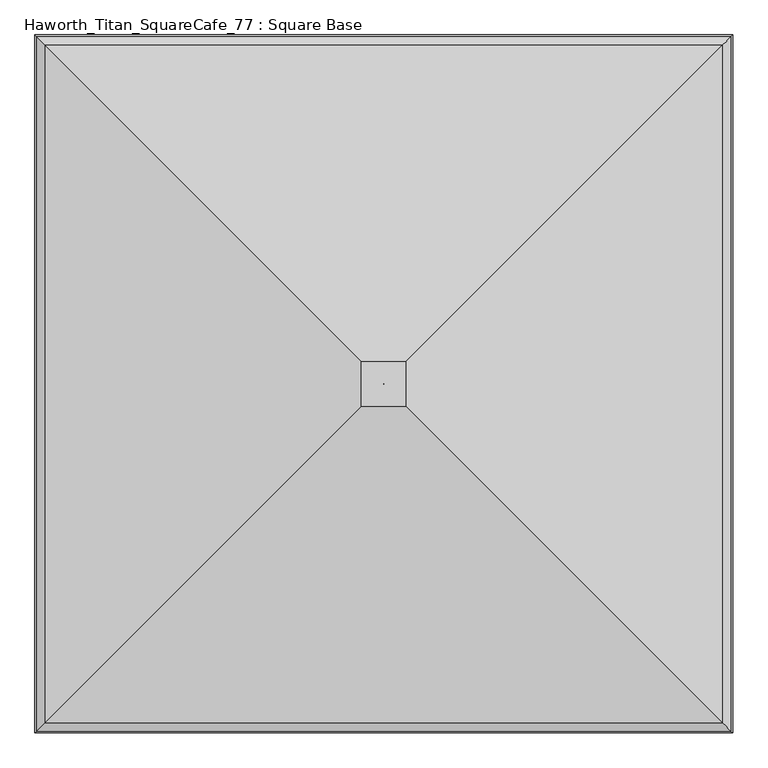
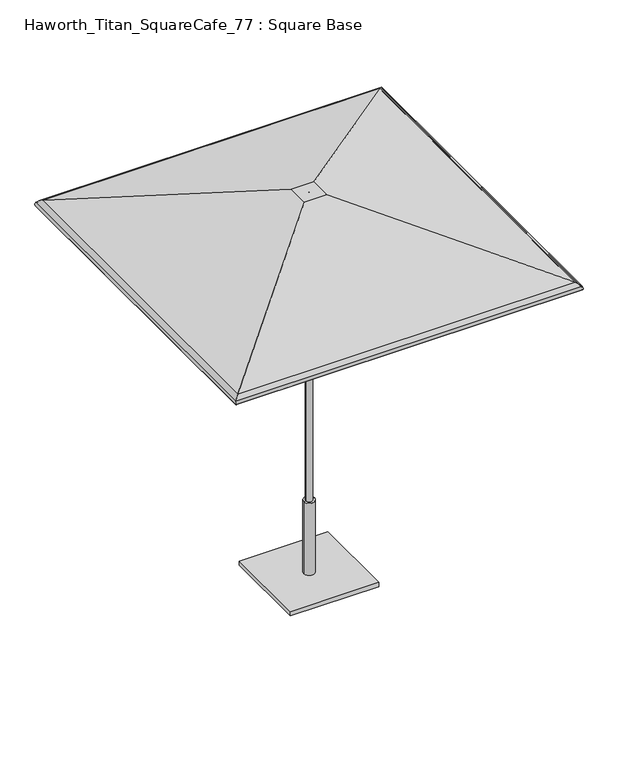
"""IFC4 building model written with IfcOpenShell, lengths in millimetres: furniture geometry, Haworth_Titan_SquareCafe_77 : Square Base."""

from ifc_helpers import new_model, si_unit, frame, origin, origin_with_axes, place, context, project, spatial, polyline, circle_curve, ellipse_curve, outline, extrude, source, transform, mapped, element, save
from ifc_brep_helpers import plane_surface, cylinder_surface, revolved_surface, advanced_brep


def haworth_titan_squarecafe_77_square_base_8a413ab3(model_context):
    return source(origin(), model_context, "Body", "SolidModel", [
        advanced_brep(
        [(-0.1191233, -3.7889421, 2332.2359375), (-0.1191233, -3.7889421, 2336.8), (0.1191233, -3.7889421, 2336.8), (0.1191233, -3.7889421, 2332.2359375), (-972.8203346, -976.4901535, 2032.8952419), (-63.8799222, -67.5497411, 2332.2359375), (63.8799222, -67.5497411, 2332.2359375), (972.8203346, -976.4901535, 2032.8952419), (-993.3252275, -996.9950464, 2015.7031479), (993.3252275, -996.9950464, 2015.7031479), (-995.3819432, -999.051762, 1999.8260507), (995.3819432, -999.051762, 1999.8260507), (-999.7734953, -1003.4433141, 1998.5830959), (999.7734953, -1003.4433141, 1998.5830959), (-997.255117, -1000.9249359, 2018.0240604), (997.255117, -1000.9249359, 2018.0240604), (-972.7319046, -976.4017234, 2037.7634079), (972.7319046, -976.4017234, 2037.7634079), (-64.7106433, -68.3804622, 2336.8), (64.7106433, -68.3804622, 2336.8), (0.1191233, -2.7851577, 2336.8), (0.1191233, -2.7851577, 2332.2359375), (63.8799222, 60.9756412, 2332.2359375), (972.8203346, 969.9160536, 2032.8952419), (993.3252275, 990.4209465, 2015.7031479), (995.3819432, 992.4776622, 1999.8260507), (999.7734953, 996.8692143, 1998.5830959), (997.255117, 994.350836, 2018.0240604), (972.7319046, 969.8276236, 2037.7634079), (64.7106433, 61.8063623, 2336.8), (-0.1191233, -2.7851577, 2336.8), (-0.1191233, -2.7851577, 2332.2359375), (-63.8799222, 60.9756412, 2332.2359375), (-972.8203346, 969.9160536, 2032.8952419), (-993.3252275, 990.4209465, 2015.7031479), (-995.3819432, 992.4776622, 1999.8260507), (-999.7734953, 996.8692143, 1998.5830959), (-997.255117, 994.350836, 2018.0240604), (-972.7319046, 969.8276236, 2037.7634079), (-64.7106433, 61.8063623, 2336.8)],
        [
            (0, 1),
            (1, 2),
            (2, 3),
            (3, 0),
            (4, 5),
            (5, 6),
            (6, 7),
            (7, 4),
            (8, 4, ellipse_curve(frame((-958.7402749, -962.4100938, 1995.2779812), z_axis=(-0.7071067811865475, 0.7071067811865475, 0.0), x_axis=(0.7071067811865476, 0.7071067811865474, 0.0)), 56.8032813, 40.1659854)),
            (7, 9, ellipse_curve(frame((958.7402749, -962.4100938, 1995.2779812), z_axis=(0.7071067811865475, 0.7071067811865475, 0.0), x_axis=(0.7071067811865476, -0.7071067811865474, 0.0)), 56.8032813, 40.1659854)),
            (9, 8),
            (10, 8, ellipse_curve(frame((-975.8174942, -979.4873131, 2005.3634382), z_axis=(-0.7071067811865475, 0.7071067811865475, 0.0), x_axis=(0.7071067811865476, 0.7071067811865474, 0.0)), 28.7551847, 20.3329861)),
            (9, 11, ellipse_curve(frame((975.8174942, -979.4873131, 2005.3634382), z_axis=(0.7071067811865475, 0.7071067811865475, 0.0), x_axis=(0.7071067811865476, -0.7071067811865474, 0.0)), 28.7551847, 20.3329861)),
            (11, 10),
            (12, 10, ellipse_curve(frame((-997.5777192, -1001.2475381, 1999.2045733), z_axis=(0.7071067811865475, -0.7071067811865475, 0.0), x_axis=(-0.7071067811865476, -0.7071067811865474, 0.0)), 3.2272795, 2.2820312)),
            (11, 13, ellipse_curve(frame((997.5777192, -1001.2475381, 1999.2045733), z_axis=(-0.7071067811865475, -0.7071067811865475, 0.0), x_axis=(-0.7071067811865476, 0.7071067811865474, 0.0)), 3.2272795, 2.2820312)),
            (13, 12),
            (14, 12, ellipse_curve(frame((-975.8174942, -979.4873131, 2005.3634382), z_axis=(0.7071067811865475, -0.7071067811865475, 0.0), x_axis=(-0.7071067811865476, -0.7071067811865474, 0.0)), 35.2097438, 24.8970486)),
            (13, 15, ellipse_curve(frame((975.8174942, -979.4873131, 2005.3634382), z_axis=(-0.7071067811865475, -0.7071067811865475, 0.0), x_axis=(-0.7071067811865476, 0.7071067811865474, 0.0)), 35.2097438, 24.8970486)),
            (15, 14),
            (16, 14, ellipse_curve(frame((-958.7402749, -962.4100938, 1995.2779812), z_axis=(0.7071067811865475, -0.7071067811865475, 0.0), x_axis=(-0.7071067811865476, -0.7071067811865474, 0.0)), 63.2578403, 44.7300479)),
            (15, 17, ellipse_curve(frame((958.7402749, -962.4100938, 1995.2779812), z_axis=(-0.7071067811865475, -0.7071067811865475, 0.0), x_axis=(-0.7071067811865476, 0.7071067811865474, 0.0)), 63.2578403, 44.7300479)),
            (17, 16),
            (18, 16),
            (17, 19),
            (19, 18),
            (2, 20),
            (20, 21),
            (21, 3),
            (6, 22),
            (22, 23),
            (23, 7),
            (23, 24, ellipse_curve(frame((958.7402749, 955.8359939, 1995.2779812), z_axis=(-0.7071067811865475, 0.7071067811865475, 0.0), x_axis=(0.7071067811865474, 0.7071067811865476, 0.0)), 56.8032813, 40.1659854)),
            (24, 9),
            (24, 25, ellipse_curve(frame((975.8174942, 972.9132132, 2005.3634382), z_axis=(-0.7071067811865475, 0.7071067811865475, 0.0), x_axis=(0.7071067811865474, 0.7071067811865476, 0.0)), 28.7551847, 20.3329861)),
            (25, 11),
            (25, 26, ellipse_curve(frame((997.5777192, 994.6734382, 1999.2045733), z_axis=(0.7071067811865475, -0.7071067811865475, 0.0), x_axis=(-0.7071067811865474, -0.7071067811865476, 0.0)), 3.2272795, 2.2820312)),
            (26, 13),
            (26, 27, ellipse_curve(frame((975.8174942, 972.9132132, 2005.3634382), z_axis=(0.7071067811865475, -0.7071067811865475, 0.0), x_axis=(-0.7071067811865474, -0.7071067811865476, 0.0)), 35.2097438, 24.8970486)),
            (27, 15),
            (27, 28, ellipse_curve(frame((958.7402749, 955.8359939, 1995.2779812), z_axis=(0.7071067811865475, -0.7071067811865475, 0.0), x_axis=(-0.7071067811865474, -0.7071067811865476, 0.0)), 63.2578403, 44.7300479)),
            (28, 17),
            (28, 29),
            (29, 19),
            (20, 30),
            (30, 31),
            (31, 21),
            (22, 32),
            (32, 33),
            (33, 23),
            (33, 34, ellipse_curve(frame((-958.7402749, 955.8359939, 1995.2779812), z_axis=(-0.7071067811865475, -0.7071067811865475, 0.0), x_axis=(-0.7071067811865476, 0.7071067811865474, 0.0)), 56.8032813, 40.1659854)),
            (34, 24),
            (34, 35, ellipse_curve(frame((-975.8174942, 972.9132132, 2005.3634382), z_axis=(-0.7071067811865475, -0.7071067811865475, 0.0), x_axis=(-0.7071067811865476, 0.7071067811865474, 0.0)), 28.7551847, 20.3329861)),
            (35, 25),
            (35, 36, ellipse_curve(frame((-997.5777192, 994.6734382, 1999.2045733), z_axis=(0.7071067811865475, 0.7071067811865475, 0.0), x_axis=(0.7071067811865476, -0.7071067811865474, 0.0)), 3.2272795, 2.2820312)),
            (36, 26),
            (36, 37, ellipse_curve(frame((-975.8174942, 972.9132132, 2005.3634382), z_axis=(0.7071067811865475, 0.7071067811865475, 0.0), x_axis=(0.7071067811865476, -0.7071067811865474, 0.0)), 35.2097438, 24.8970486)),
            (37, 27),
            (37, 38, ellipse_curve(frame((-958.7402749, 955.8359939, 1995.2779812), z_axis=(0.7071067811865475, 0.7071067811865475, 0.0), x_axis=(0.7071067811865476, -0.7071067811865474, 0.0)), 63.2578403, 44.7300479)),
            (38, 28),
            (38, 39),
            (39, 29),
            (39, 18),
            (1, 30),
            (0, 31),
            (5, 32),
            (4, 33),
            (8, 34),
            (10, 35),
            (12, 36),
            (14, 37),
            (16, 38),
        ],
        [
            plane_surface(frame((-0.1191233, -3.7889421, 2336.8), z_axis=(0.0, 1.0, 0.0), x_axis=(1.0, 0.0, 0.0))),
            plane_surface(frame((-63.8799222, -67.5497411, 2332.2359375), z_axis=(0.0, 0.3128029016514654, -0.9498180587451598), x_axis=(1.0, 0.0, 0.0))),
            revolved_surface(polyline([(998.9062603008771, -922.2441084000001, 1995.2779812), (-998.9062603008771, -922.2441084000001, 1995.2779812)]), (-1013.0581334, -962.4100938, 1995.2779812), (1.0, 0.0, 0.0)),
            revolved_surface(polyline([(996.1504802956416, -959.1543270000001, 2005.3634382), (-996.1504802956417, -959.1543270000001, 2005.3634382)]), (-1013.0581334, -979.4873131, 2005.3634382), (1.0, 0.0, 0.0)),
            cylinder_surface(frame((-1013.0581334, -1001.2475381, 1999.2045733), z_axis=(-1.0, 0.0, 0.0), x_axis=(0.0, 1.0, 0.0)), 2.2820312),
            cylinder_surface(frame((-1013.0581334, -979.4873131, 2005.3634382), z_axis=(-1.0, 0.0, 0.0), x_axis=(0.0, 1.0, 0.0)), 24.8970486),
            cylinder_surface(frame((-1013.0581334, -962.4100938, 1995.2779812), z_axis=(-1.0, 0.0, 0.0), x_axis=(0.0, 1.0, 0.0)), 44.7300479),
            plane_surface(frame((-972.7319046, -976.4017234, 2037.7634079), z_axis=(0.0, -0.3128015803524927, 0.9498184938865862), x_axis=(1.0, 0.0, 0.0))),
            plane_surface(frame((0.1191233, -3.7889421, 2336.8), z_axis=(-1.0, 0.0, 0.0), x_axis=(0.0, 1.0, 0.0))),
            plane_surface(frame((63.8799222, -67.5497411, 2332.2359375), z_axis=(-0.31280290165146846, 0.0, -0.9498180587451588), x_axis=(0.0, 1.0, 0.0))),
            revolved_surface(polyline([(918.5742895000001, 996.0019793008769, 1995.2779812), (918.5742895000001, -1002.5760792008771, 1995.2779812)]), (958.7402749, -1016.7279523, 1995.2779812), (0.0, 1.0, 0.0)),
            revolved_surface(polyline([(955.4845081000001, 993.2461992956416, 2005.3634382), (955.4845081000001, -999.8202991956417, 2005.3634382)]), (975.8174942, -1016.7279523, 2005.3634382), (0.0, 1.0, 0.0)),
            cylinder_surface(frame((997.5777192, -1016.7279523, 1999.2045733), z_axis=(0.0, -1.0, 0.0), x_axis=(-1.0, 0.0, 0.0)), 2.2820312),
            cylinder_surface(frame((975.8174942, -1016.7279523, 2005.3634382), z_axis=(0.0, -1.0, 0.0), x_axis=(-1.0, 0.0, 0.0)), 24.8970486),
            cylinder_surface(frame((958.7402749, -1016.7279523, 1995.2779812), z_axis=(0.0, -1.0, 0.0), x_axis=(-1.0, 0.0, 0.0)), 44.7300479),
            plane_surface(frame((972.7319046, -976.4017234, 2037.7634079), z_axis=(0.3128015803524958, 0.0, 0.9498184938865852), x_axis=(0.0, 1.0, 0.0))),
            plane_surface(frame((0.1191233, -2.7851577, 2336.8), z_axis=(0.0, -1.0, 0.0), x_axis=(-1.0, 0.0, 0.0))),
            plane_surface(frame((63.8799222, 60.9756412, 2332.2359375), z_axis=(0.0, -0.3128029016514654, -0.9498180587451598), x_axis=(-1.0, 0.0, 0.0))),
            revolved_surface(polyline([(-998.9062603008771, 915.6700085, 1995.2779812), (998.9062603008771, 915.6700085, 1995.2779812)]), (1013.0581334, 955.8359939, 1995.2779812), (-1.0, 0.0, 0.0)),
            revolved_surface(polyline([(-996.1504802956416, 952.5802271, 2005.3634382), (996.1504802956417, 952.5802271, 2005.3634382)]), (1013.0581334, 972.9132132, 2005.3634382), (-1.0, 0.0, 0.0)),
            cylinder_surface(frame((1013.0581334, 994.6734382, 1999.2045733), z_axis=(1.0, 0.0, 0.0), x_axis=(0.0, -1.0, 0.0)), 2.2820312),
            cylinder_surface(frame((1013.0581334, 972.9132132, 2005.3634382), z_axis=(1.0, 0.0, 0.0), x_axis=(0.0, -1.0, 0.0)), 24.8970486),
            cylinder_surface(frame((1013.0581334, 955.8359939, 1995.2779812), z_axis=(1.0, 0.0, 0.0), x_axis=(0.0, -1.0, 0.0)), 44.7300479),
            plane_surface(frame((972.7319046, 969.8276236, 2037.7634079), z_axis=(0.0, 0.3128015803524927, 0.9498184938865862), x_axis=(-1.0, 0.0, 0.0))),
            plane_surface(frame((-64.7106433, 61.8063623, 2336.8), z_axis=(0.0, 0.0, 1.0), x_axis=(0.0, -1.0, 0.0))),
            plane_surface(frame((-0.1191233, -2.7851577, 2336.8), z_axis=(1.0, 0.0, 0.0), x_axis=(0.0, -1.0, 0.0))),
            plane_surface(frame((-0.1191233, -2.7851577, 2332.2359375), z_axis=(0.0, 0.0, -1.0), x_axis=(0.0, -1.0, 0.0))),
            plane_surface(frame((-63.8799222, 60.9756412, 2332.2359375), z_axis=(0.31280290165146235, 0.0, -0.9498180587451608), x_axis=(0.0, -1.0, 0.0))),
            revolved_surface(polyline([(-918.5742895000001, -1002.5760792008768, 1995.2779812), (-918.5742895000001, 996.001979300877, 1995.2779812)]), (-958.7402749, 1010.1538524, 1995.2779812), (0.0, -1.0, 0.0)),
            revolved_surface(polyline([(-955.4845081000001, -999.8202991956418, 2005.3634382), (-955.4845081000001, 993.2461992956416, 2005.3634382)]), (-975.8174942, 1010.1538524, 2005.3634382), (0.0, -1.0, 0.0)),
            cylinder_surface(frame((-997.5777192, 1010.1538524, 1999.2045733), z_axis=(0.0, 1.0, 0.0), x_axis=(1.0, 0.0, 0.0)), 2.2820312),
            cylinder_surface(frame((-975.8174942, 1010.1538524, 2005.3634382), z_axis=(0.0, 1.0, 0.0), x_axis=(1.0, 0.0, 0.0)), 24.8970486),
            cylinder_surface(frame((-958.7402749, 1010.1538524, 1995.2779812), z_axis=(0.0, 1.0, 0.0), x_axis=(1.0, 0.0, 0.0)), 44.7300479),
            plane_surface(frame((-972.7319046, 969.8276236, 2037.7634079), z_axis=(-0.31280158035248967, 0.0, 0.9498184938865872), x_axis=(0.0, -1.0, 0.0))),
        ],
        [
            (0, [[1, 2, 3, 4]]),
            (1, [[5, 6, 7, 8]]),
            (2, [[9, -8, 10, 11]]),
            (3, [[12, -11, 13, 14]]),
            (4, [[15, -14, 16, 17]]),
            (5, [[18, -17, 19, 20]]),
            (6, [[21, -20, 22, 23]]),
            (7, [[24, -23, 25, 26]]),
            (8, [[-3, 27, 28, 29]]),
            (9, [[-7, 30, 31, 32]]),
            (10, [[-10, -32, 33, 34]]),
            (11, [[-13, -34, 35, 36]]),
            (12, [[-16, -36, 37, 38]]),
            (13, [[-19, -38, 39, 40]]),
            (14, [[-22, -40, 41, 42]]),
            (15, [[-25, -42, 43, 44]]),
            (16, [[-28, 45, 46, 47]]),
            (17, [[-31, 48, 49, 50]]),
            (18, [[-33, -50, 51, 52]]),
            (19, [[-35, -52, 53, 54]]),
            (20, [[-37, -54, 55, 56]]),
            (21, [[-39, -56, 57, 58]]),
            (22, [[-41, -58, 59, 60]]),
            (23, [[-43, -60, 61, 62]]),
            (24, [[-44, -62, 63, -26], [64, -45, -27, -2]]),
            (25, [[-46, -64, -1, 65]]),
            (26, [[66, -48, -30, -6], [-29, -47, -65, -4]]),
            (27, [[-49, -66, -5, 67]]),
            (28, [[-51, -67, -9, 68]]),
            (29, [[-53, -68, -12, 69]]),
            (30, [[-55, -69, -15, 70]]),
            (31, [[-57, -70, -18, 71]]),
            (32, [[-59, -71, -21, 72]]),
            (33, [[-61, -72, -24, -63]]),
        ],
    ),
        advanced_brep(
        [(-19.05, -4.0299408, 463.5500121), (19.05, -4.0299408, 463.5500121), (31.7499992, -4.0299408, 463.5500121), (-31.7499992, -4.0299408, 463.5500121), (-19.05, -4.0299408, 1771.5507813), (19.05, -4.0299408, 1771.5507813), (0.0, -4.0299408, 1771.5507813), (-31.7499992, -4.0299408, 25.4), (31.7499992, -4.0299408, 25.4), (0.0, -4.0299408, 25.4)],
        [
            (0, 1, circle_curve(frame((0.0, -4.0299408, 463.5500121), z_axis=(0.0, 0.0, -1.0), x_axis=(1.0, 0.0, 0.0)), 19.05)),
            (1, 2),
            (2, 3, circle_curve(frame((0.0, -4.0299408, 463.5500121), z_axis=(0.0, 0.0, 1.0), x_axis=(1.0, 0.0, 0.0)), 31.7499992)),
            (3, 0),
            (1, 0, circle_curve(frame((0.0, -4.0299408, 463.5500121), z_axis=(0.0, 0.0, -1.0), x_axis=(1.0, 0.0, 0.0)), 19.05)),
            (3, 2, circle_curve(frame((0.0, -4.0299408, 463.5500121), z_axis=(0.0, 0.0, 1.0), x_axis=(1.0, 0.0, 0.0)), 31.7499992)),
            (4, 5, circle_curve(frame((0.0, -4.0299408, 1771.5507813), z_axis=(0.0, 0.0, -1.0), x_axis=(1.0, 0.0, 0.0)), 19.05)),
            (5, 1),
            (0, 4),
            (5, 4, circle_curve(frame((0.0, -4.0299408, 1771.5507813), z_axis=(0.0, 0.0, -1.0), x_axis=(1.0, 0.0, 0.0)), 19.05)),
            (6, 5),
            (4, 6),
            (7, 8, circle_curve(frame((0.0, -4.0299408, 25.4), z_axis=(0.0, 0.0, -1.0), x_axis=(1.0, 0.0, 0.0)), 31.7499992)),
            (8, 9),
            (9, 7),
            (8, 7, circle_curve(frame((0.0, -4.0299408, 25.4), z_axis=(0.0, 0.0, -1.0), x_axis=(1.0, 0.0, 0.0)), 31.7499992)),
            (2, 8),
            (7, 3),
        ],
        [
            plane_surface(frame((0.0, -4.0299408, 463.5500121), z_axis=(0.0, 0.0, 1.0), x_axis=(1.0, 0.0, 0.0))),
            cylinder_surface(frame((0.0, -4.0299408, 2635.1507813), z_axis=(0.0, 0.0, 1.0), x_axis=(1.0, 0.0, 0.0)), 19.05),
            plane_surface(frame((0.0, -4.0299408, 1771.5507813), z_axis=(0.0, 0.0, 1.0), x_axis=(1.0, 0.0, 0.0))),
            plane_surface(frame((0.0, -4.0299408, 25.4), z_axis=(0.0, 0.0, -1.0), x_axis=(1.0, 0.0, 0.0))),
            cylinder_surface(frame((0.0, -4.0299408, 2635.1507813), z_axis=(0.0, 0.0, 1.0), x_axis=(1.0, 0.0, 0.0)), 31.7499992),
        ],
        [
            (0, [[1, 2, 3, 4]]),
            (0, [[5, -4, 6, -2]]),
            (1, [[7, 8, -1, 9]]),
            (1, [[10, -9, -5, -8]]),
            (2, [[11, -7, 12]]),
            (2, [[-12, -10, -11]]),
            (3, [[13, 14, 15]]),
            (3, [[16, -15, -14]]),
            (4, [[-3, 17, -13, 18]]),
            (4, [[-6, -18, -16, -17]]),
        ],
    ),
        extrude(outline(polyline([(254.0, 249.9700592), (254.0, -258.0299408), (-254.0, -258.0299408), (-254.0, 249.9700592), (254.0, 249.9700592)])), origin_with_axes(), (0.0, 0.0, 1.0), 25.4),
    ])


if __name__ == "__main__":
    model = new_model("IFC4")
    model_context = context("Model", 3, world=origin())
    ifc_project = project(units=[si_unit("LENGTHUNIT", "METRE", prefix="MILLI")], contexts=[model_context])
    site = spatial("IfcSite", under=ifc_project)
    building = spatial("IfcBuilding", under=site)
    placement = place(None, origin())
    haworth_titan_squarecafe_77_square_base_shape = haworth_titan_squarecafe_77_square_base_8a413ab3(model_context)
    element("IfcFurniture", 1, ObjectType="Haworth_Titan_SquareCafe_77 : Square Base", at=placement, inside=building, context=model_context, shape_type="MappedRepresentation", body=[
        mapped(haworth_titan_squarecafe_77_square_base_shape, transform((0.0, 0.0, 0.0), x_axis=(1.0, 0.0, 0.0), y_axis=(0.0, 1.0, 0.0), z_axis=(0.0, 0.0, 1.0))),
    ])
    save(model, "model.ifc")
